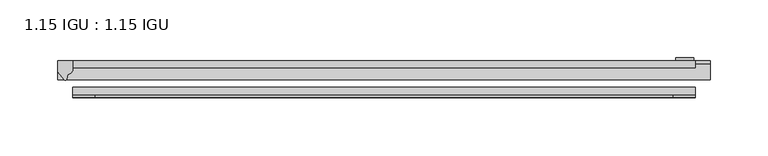
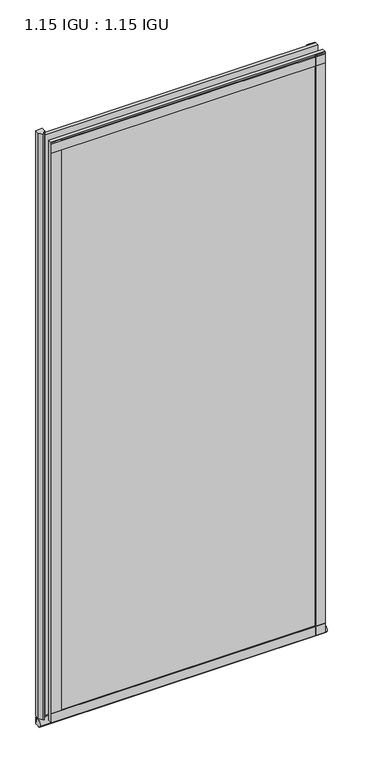
"""IFC4 building model written with IfcOpenShell, lengths in millimetres: plate geometry, 1.15 IGU : 1.15 IGU."""

import ifcopenshell
import ifcopenshell.guid

model = None  # the IFC model being written
_history = None  # IfcOwnerHistory: only IFC2X3 demands one
_inside = {}  # id of a spatial element -> (the spatial element, [elements in it])
_under = {}  # id of a project, library or spatial element -> (it, [spatial elements below it])
_declared = {}  # id of a project -> (the project, [libraries it declares])
_typed = {}  # id of a type object -> (the type object, [elements of that type])
_made_of = {}  # id of a material, layer set ... -> (it, [elements and type objects made of it])


def new_model(schema):
    """Start an empty IFC model of exactly this schema.

    Asked for "IFC4X3", IfcOpenShell would pick the latest addendum, in which some entities
    have other attributes; the version numbers below select the first issue.
    IFC2X3 requires an IfcOwnerHistory on every rooted entity: one is made here for all.
    """
    global model, _history
    if schema == "IFC4X3":
        model = ifcopenshell.file(schema_version=(4, 3, 0, 0))
    else:
        model = ifcopenshell.file(schema=schema)
    _inside.clear()
    _under.clear()
    _declared.clear()
    _typed.clear()
    _made_of.clear()
    _history = None
    if model.schema == "IFC2X3":
        org = make("IfcOrganization", Name="unknown")
        user = make(
            "IfcPersonAndOrganization",
            ThePerson=make("IfcPerson", FamilyName="unknown"),
            TheOrganization=org,
        )
        app = make(
            "IfcApplication",
            ApplicationDeveloper=org,
            Version="unknown",
            ApplicationFullName="unknown",
            ApplicationIdentifier="unknown",
        )
        _history = make(
            "IfcOwnerHistory",
            OwningUser=user,
            OwningApplication=app,
            ChangeAction="ADDED",
            CreationDate=0,
        )
    return model


def make(cls, **values):
    """One entity of the class cls with the attributes given. An attribute that is None is left unset."""
    return model.create_entity(
        cls, **{name: value for name, value in values.items() if value is not None}
    )


def rooted(cls, **values):
    """An entity with a GlobalId (a new one), such as an element, a storey or a relation."""
    return make(cls, GlobalId=ifcopenshell.guid.new(), OwnerHistory=_history, **values)


def si_unit(unit_type, name, prefix=None):
    """IfcSIUnit, for example si_unit("LENGTHUNIT", "METRE", prefix="MILLI")."""
    return make("IfcSIUnit", UnitType=unit_type, Prefix=prefix, Name=name)


def assignment(units):
    """IfcUnitAssignment: the units of a project."""
    return None if units is None else make("IfcUnitAssignment", Units=units)


def point(xyz):
    """IfcCartesianPoint."""
    return None if xyz is None else make("IfcCartesianPoint", Coordinates=xyz)


def direction(xyz):
    """IfcDirection."""
    return None if xyz is None else make("IfcDirection", DirectionRatios=xyz)


def frame(location, z_axis=None, x_axis=None):
    """IfcAxis2Placement3D, a coordinate frame: its origin and axes. An axis left out is left unset."""
    return make(
        "IfcAxis2Placement3D",
        Location=point(location),
        Axis=direction(z_axis),
        RefDirection=direction(x_axis),
    )


def frame_2d(location, x_axis=None):
    """IfcAxis2Placement2D, a coordinate frame in the plane: its origin and x axis."""
    return make(
        "IfcAxis2Placement2D", Location=point(location), RefDirection=direction(x_axis)
    )


def origin():
    """The frame at (0, 0, 0) with its axes left unset."""
    return frame((0.0, 0.0, 0.0))


def place(relative_to, where):
    """IfcLocalPlacement: puts the frame where relative to a parent placement (None: the world)."""
    return make(
        "IfcLocalPlacement", PlacementRelTo=relative_to, RelativePlacement=where
    )


def context(
    kind, dimensions, precision=None, world=None, true_north=None, identifier=None
):
    """IfcGeometricRepresentationContext, for example the 3D "Model" context."""
    return make(
        "IfcGeometricRepresentationContext",
        ContextIdentifier=identifier,
        ContextType=kind,
        CoordinateSpaceDimension=dimensions,
        Precision=precision,
        WorldCoordinateSystem=world,
        TrueNorth=true_north,
    )


def project(units=None, contexts=None):
    """IfcProject with its units and contexts."""
    return rooted(
        "IfcProject",
        Name="project",
        RepresentationContexts=contexts,
        UnitsInContext=assignment(units),
    )


def spatial(cls, under=None, at=None, **own):
    """A site, building, storey or space (cls), placed at a placement, below another one or the project."""
    s = rooted(cls, ObjectPlacement=at, **own)
    if under is not None:
        _under.setdefault(under.id(), (under, []))[1].append(s)
    return s


def polyline(points):
    """IfcPolyline through the points."""
    return make("IfcPolyline", Points=[point(p) for p in points])


def circle_curve(where, radius):
    """IfcCircle in the frame where."""
    return make("IfcCircle", Position=where, Radius=radius)


def ellipse_curve(where, semi_axis1, semi_axis2):
    """IfcEllipse in the frame where."""
    return make(
        "IfcEllipse", Position=where, SemiAxis1=semi_axis1, SemiAxis2=semi_axis2
    )


def trimmed(basis, trim1, trim2, sense, master):
    """IfcTrimmedCurve: the piece of a basis curve between two trims."""
    return make(
        "IfcTrimmedCurve",
        BasisCurve=basis,
        Trim1=trim1,
        Trim2=trim2,
        SenseAgreement=sense,
        MasterRepresentation=master,
    )


def segment(curve, same_sense, transition):
    """IfcCompositeCurveSegment."""
    return make(
        "IfcCompositeCurveSegment",
        Transition=transition,
        SameSense=same_sense,
        ParentCurve=curve,
    )


def composite_curve(segments, self_intersect=None):
    """IfcCompositeCurve: segments joined end to end."""
    return make("IfcCompositeCurve", Segments=segments, SelfIntersect=self_intersect)


def outline(outer, holes=None, kind="AREA"):
    """IfcArbitraryClosedProfileDef: a profile drawn as a closed curve; with holes, ...WithVoids."""
    if holes is None:
        return make("IfcArbitraryClosedProfileDef", ProfileType=kind, OuterCurve=outer)
    return make(
        "IfcArbitraryProfileDefWithVoids",
        ProfileType=kind,
        OuterCurve=outer,
        InnerCurves=holes,
    )


def extrude(swept, where, along, depth):
    """IfcExtrudedAreaSolid: the profile swept, set in the frame where, extruded along a direction by depth."""
    return make(
        "IfcExtrudedAreaSolid",
        SweptArea=swept,
        Position=where,
        ExtrudedDirection=direction(along),
        Depth=depth,
    )


def shape(context_of_items, identifier, shape_type, items):
    """IfcShapeRepresentation: the items that make up one representation, for example the "Body"."""
    return make(
        "IfcShapeRepresentation",
        ContextOfItems=context_of_items,
        RepresentationIdentifier=identifier,
        RepresentationType=shape_type,
        Items=items,
    )


def source(mapping_origin, context_of_items, identifier, shape_type, items):
    """IfcRepresentationMap: a shape defined once, which mapped items show again and again."""
    return make(
        "IfcRepresentationMap",
        MappingOrigin=mapping_origin,
        MappedRepresentation=shape(context_of_items, identifier, shape_type, items),
    )


def transform(
    local_origin,
    x_axis=None,
    y_axis=None,
    z_axis=None,
    scale=None,
    scale2=None,
    scale3=None,
    uniform=True,
):
    """IfcCartesianTransformationOperator3D, or its non-uniform kind. x_axis, y_axis, z_axis: its Axis1, 2, 3."""
    if uniform:
        return make(
            "IfcCartesianTransformationOperator3D",
            Axis1=direction(x_axis),
            Axis2=direction(y_axis),
            LocalOrigin=point(local_origin),
            Scale=scale,
            Axis3=direction(z_axis),
        )
    return make(
        "IfcCartesianTransformationOperator3DnonUniform",
        Axis1=direction(x_axis),
        Axis2=direction(y_axis),
        LocalOrigin=point(local_origin),
        Scale=scale,
        Axis3=direction(z_axis),
        Scale2=scale2,
        Scale3=scale3,
    )


def mapped(mapping_source, mapping_target):
    """IfcMappedItem: shows the shape of a source again, moved by a transform."""
    return make(
        "IfcMappedItem", MappingSource=mapping_source, MappingTarget=mapping_target
    )


def made_of(thing, what):
    """Note that an element or type object is made of a material, layer set ...; save() writes the relation."""
    if what is not None:
        _made_of.setdefault(what.id(), (what, []))[1].append(thing)
    return thing


def element(
    cls,
    number,
    at=None,
    inside=None,
    cuts=None,
    type_object=None,
    material=None,
    context=None,
    identifier="Body",
    shape_type=None,
    held_by="IfcProductDefinitionShape",
    body=None,
    shapes=None,
    **own,
):
    """One element of the class cls, such as IfcWall. Its Tag is "e" and its number.

    at: its placement. inside: the storey or other place that contains it. cuts: it is an
    opening in that element (IfcRelVoidsElement). A single representation is given by context,
    identifier, shape_type and body (its items); several are given by shapes. held_by: the class
    of the entity that holds the representations. save() writes the other relations.
    """
    e = rooted(cls, Tag="e%d" % number, ObjectPlacement=at, **own)
    if body is not None:
        shapes = [shape(context, identifier, shape_type, body)]
    if shapes is not None:
        e.Representation = make(held_by, Representations=shapes)
    if inside is not None:
        _inside.setdefault(inside.id(), (inside, []))[1].append(e)
    if cuts is not None:
        rooted(
            "IfcRelVoidsElement", RelatingBuildingElement=cuts, RelatedOpeningElement=e
        )
    if type_object is not None:
        _typed.setdefault(type_object.id(), (type_object, []))[1].append(e)
    return made_of(e, material)


def aggregate(whole, parts):
    """IfcRelAggregates: a whole, such as a stair, and the parts it consists of."""
    return rooted("IfcRelAggregates", RelatingObject=whole, RelatedObjects=parts)


def save(model, path):
    """Write the relations noted so far, then the file.

    IfcRelAggregates (storeys below a building ...), IfcRelContainedInSpatialStructure (elements
    in a storey), IfcRelDefinesByType, IfcRelAssociatesMaterial and IfcRelDeclares: one each for
    every whole, place, type object, material and project.
    """
    for whole, parts in _under.values():
        aggregate(whole, parts)
    for where, things in _inside.values():
        rooted(
            "IfcRelContainedInSpatialStructure",
            RelatedElements=things,
            RelatingStructure=where,
        )
    for kind, things in _typed.values():
        rooted("IfcRelDefinesByType", RelatedObjects=things, RelatingType=kind)
    for what, things in _made_of.values():
        rooted("IfcRelAssociatesMaterial", RelatedObjects=things, RelatingMaterial=what)
    for by, libraries in _declared.values():
        rooted("IfcRelDeclares", RelatingContext=by, RelatedDefinitions=libraries)
    model.write(path)


def plane_surface(at):
    """IfcPlane: the flat surface through the origin of the frame at, square to its z axis."""
    return make("IfcPlane", Position=at)


def revolved_surface(curve, axis_point, axis_direction):
    """IfcSurfaceOfRevolution: the curve turned about the line through axis_point along axis_direction."""
    return make(
        "IfcSurfaceOfRevolution",
        SweptCurve=make("IfcArbitraryOpenProfileDef", ProfileType="CURVE", Curve=curve),
        AxisPosition=make("IfcAxis1Placement", Location=point(axis_point), Axis=direction(axis_direction)),
    )


def extruded_surface(curve, direction_of_extrusion, depth):
    """IfcSurfaceOfLinearExtrusion: the curve pushed along a direction by depth."""
    return make(
        "IfcSurfaceOfLinearExtrusion",
        SweptCurve=make("IfcArbitraryOpenProfileDef", ProfileType="CURVE", Curve=curve),
        ExtrudedDirection=direction(direction_of_extrusion),
        Depth=depth,
    )


def advanced_brep(points, edges, surfaces, faces):
    """IfcAdvancedBrep: a solid bounded by faces that lie on surfaces and meet in shared edges.

    An edge is (start, end): straight between two places in points (the first is 0);
    or (start, end, curve); or (start, end, curve, False) where it runs against its curve.
    A face is (place in surfaces, loops), or (place, loops, False) where it looks against
    its surface's normal. A loop lists edges by number (the first is 1), with a minus sign
    where the edge is run from its end to its start. The first loop is the outer one.
    """
    corners = [point(p) for p in points]
    vertices = [make("IfcVertexPoint", VertexGeometry=c) for c in corners]
    made = []
    for start, end, *more in edges:
        made.append(
            make(
                "IfcEdgeCurve",
                EdgeStart=vertices[start],
                EdgeEnd=vertices[end],
                EdgeGeometry=more[0] if more else make("IfcPolyline", Points=[corners[start], corners[end]]),
                SameSense=more[1] if len(more) > 1 else True,
            )
        )
    hull = []
    for where, loops, *sense in faces:
        bounds = []
        for j, loop in enumerate(loops):
            ring = [make("IfcOrientedEdge", EdgeElement=made[abs(k) - 1], Orientation=k > 0) for k in loop]
            bounds.append(
                make(
                    "IfcFaceOuterBound" if j == 0 else "IfcFaceBound",
                    Bound=make("IfcEdgeLoop", EdgeList=ring),
                    Orientation=True,
                )
            )
        hull.append(make("IfcAdvancedFace", Bounds=bounds, FaceSurface=surfaces[where], SameSense=sense[0] if sense else True))
    return make("IfcAdvancedBrep", Outer=make("IfcClosedShell", CfsFaces=hull))


def plate_1_15_igu_1_15_igu_fcd041bd(model_context):
    return source(origin(), model_context, "Body", "SolidModel", [
        extrude(outline(polyline([(268.6061906, 0.0), (268.6061906, -6.2992), (-268.6061906, -6.2992), (-268.6061906, 0.0), (268.6061906, 0.0)])), frame((0.0, 0.0, -19.05), z_axis=(0.0, 0.0, 1.0), x_axis=(1.0, 0.0, 0.0)), (0.0, 0.0, 1.0), 1203.325),
        extrude(outline(polyline([(-268.6061906, -23.1648), (268.6061906, -23.1648), (268.6061906, -29.464), (-268.6061906, -29.464), (-268.6061906, -23.1648)])), frame((0.0, 0.0, -19.05), z_axis=(0.0, 0.0, 1.0), x_axis=(1.0, 0.0, 0.0)), (0.0, 0.0, 1.0), 1203.325),
        advanced_brep(
        [(281.3061906, -2.9334208, -29.3692082), (281.3061906, -15.7658436, -30.8313288), (281.3061906, -6.7904952, -34.925), (281.3061906, 0.0, -34.925), (281.3061906, 0.0, -22.225), (281.3061906, -2.5187477, -22.225), (-281.3061906, -2.9073519, -29.3720514), (-281.3061906, -2.5187477, -22.225), (-281.3061906, 0.0, -22.225), (-281.3061906, 0.0, -34.925), (-281.3061906, -6.7904952, -34.925), (-281.3061906, -15.7658436, -30.8313288)],
        [
            (0, 1, ellipse_curve(frame((281.3061906, -9.5065066, -28.575), z_axis=(1.0, 0.0, 0.0), x_axis=(0.0, 0.0, -1.0)), 6.9638038, 6.6162554)),
            (1, 2, ellipse_curve(frame((281.3061906, -9.5065066, -28.575), z_axis=(1.0, 0.0, 0.0), x_axis=(0.0, 0.0, -1.0)), 6.9638038, 6.6162554)),
            (2, 3),
            (3, 4, circle_curve(frame((281.3061906, 24.1576838, -28.575), z_axis=(-1.0, 0.0, 0.0), x_axis=(0.0, 0.0, 1.0)), 24.9783143)),
            (4, 5),
            (5, 0, circle_curve(frame((281.3061906, -68.4358767, -22.225), z_axis=(-1.0, 0.0, 0.0), x_axis=(0.0, 0.0, 1.0)), 65.917129)),
            (6, 7, circle_curve(frame((-281.3061906, -68.4358767, -22.225), z_axis=(1.0, 0.0, 0.0), x_axis=(0.0, 0.0, 1.0)), 65.917129)),
            (7, 8),
            (8, 9, circle_curve(frame((-281.3061906, 24.1576838, -28.575), z_axis=(1.0, 0.0, 0.0), x_axis=(0.0, 0.0, 1.0)), 24.9783143)),
            (9, 10),
            (10, 11, ellipse_curve(frame((-281.3061906, -9.5065066, -28.575), z_axis=(-1.0, 0.0, 0.0), x_axis=(0.0, 0.0, -1.0)), 6.9638038, 6.6162554)),
            (11, 6, ellipse_curve(frame((-281.3061906, -9.5065066, -28.575), z_axis=(-1.0, 0.0, 0.0), x_axis=(0.0, 0.0, -1.0)), 6.9638038, 6.6162554)),
            (0, 6),
            (11, 1),
            (10, 2),
            (9, 3),
            (8, 4),
            (7, 5),
        ],
        [
            plane_surface(frame((281.3061906, 0.0, -28.575), z_axis=(1.0, 0.0, 0.0), x_axis=(0.0, 1.0, 0.0))),
            plane_surface(frame((-281.3061906, 0.0, -28.575), z_axis=(-1.0, 0.0, 0.0), x_axis=(0.0, 1.0, 0.0))),
            extruded_surface(trimmed(ellipse_curve(frame((-281.3061906, -9.5065066, -28.575), z_axis=(1.0, 0.0, 0.0), x_axis=(0.0, 0.0, -1.0)), 6.9638038, 6.6162554), [point((-281.3061906, -2.9334208, -29.3692082))], [point((-281.3061906, -15.7658436, -30.8313288))], True, "CARTESIAN"), (562.6123812, 0.0, 0.0), 562.6123812),
            extruded_surface(trimmed(ellipse_curve(frame((-281.3061906, -9.5065066, -28.575), z_axis=(1.0, 0.0, 0.0), x_axis=(0.0, 0.0, -1.0)), 6.9638038, 6.6162554), [point((-281.3061906, -15.7658436, -30.8313288))], [point((-281.3061906, -6.7904952, -34.925))], True, "CARTESIAN"), (562.6123812, 0.0, 0.0), 562.6123812),
            plane_surface(frame((281.3061906, -6.7904952, -34.925), z_axis=(0.0, 0.0, -1.0), x_axis=(-1.0, 0.0, 0.0))),
            revolved_surface(polyline([(-281.3061906, 24.1576838, -3.5966856999999983), (281.3061906, 24.1576838, -3.5966856999999983)]), (281.3061906, 24.1576838, -28.575), (-1.0, 0.0, 0.0)),
            plane_surface(frame((281.3061906, 0.0, -22.225), z_axis=(0.0, 0.0, 1.0), x_axis=(-1.0, 0.0, 0.0))),
            revolved_surface(polyline([(-281.3061906, -68.4358767, 43.692129), (281.3061906, -68.4358767, 43.692129)]), (281.3061906, -68.4358767, -22.225), (-1.0, 0.0, 0.0)),
        ],
        [
            (0, [[1, 2, 3, 4, 5, 6]]),
            (1, [[7, 8, 9, 10, 11, 12]]),
            (2, [[-1, 13, -12, 14]]),
            (3, [[-2, -14, -11, 15]]),
            (4, [[-3, -15, -10, 16]]),
            (5, [[-4, -16, -9, 17]]),
            (6, [[-5, -17, -8, 18]]),
            (7, [[-6, -18, -7, -13]]),
        ],
    ),
        extrude(outline(composite_curve([segment(polyline([(-268.6061906, 8.8e-06), (-268.6061906, -7.7683362)]), True, "CONTINUOUS"), segment(trimmed(circle_curve(frame_2d((-272.5776886, -7.7683362)), 3.9714979), [point((-268.6061906, -7.7683362))], [point((-272.7051404, -11.7377885))], False, "CARTESIAN"), True, "CONTINUOUS"), segment(polyline([(-272.7051404, -11.7377885), (-273.6851749, -16.012436)]), True, "CONTINUOUS"), segment(trimmed(circle_curve(frame_2d((-274.7863839, -15.7723555)), 1.1270758), [point((-273.6851749, -16.012436))], [point((-275.7402233, -16.372764))], False, "CARTESIAN"), True, "CONTINUOUS"), segment(polyline([(-275.7402233, -16.372764), (-281.3061906, -9.7395025), (-281.3061906, 8.8e-06), (-268.6061906, 8.8e-06)]), True, "CONTINUOUS")], self_intersect=False)), frame((0.0, 0.0, -19.05), z_axis=(0.0, 0.0, 1.0), x_axis=(1.0, 0.0, 0.0)), (0.0, 0.0, 1.0), 1213.6374),
        extrude(outline(polyline([(-268.6061906, -31.75), (-268.6061906, -29.464), (268.6061906, -29.464), (268.6061906, -31.75), (-268.6061906, -31.75)])), frame((0.0, 0.0, -19.05), z_axis=(0.0, 0.0, 1.0), x_axis=(1.0, 0.0, 0.0)), (0.0, 0.0, 1.0), 19.05),
        extrude(outline(polyline([(-268.6061906, -31.75), (-268.6061906, -29.464), (268.6061906, -29.464), (268.6061906, -31.75), (-268.6061906, -31.75)])), frame((0.0, 0.0, 1162.05), z_axis=(0.0, 0.0, 1.0), x_axis=(1.0, 0.0, 0.0)), (0.0, 0.0, 1.0), 19.05),
        extrude(outline(polyline([(249.5561906, -29.464), (268.6061906, -29.464), (268.6061906, -31.75), (249.5561906, -31.75), (249.5561906, -29.464)])), frame((0.0, 0.0, -19.05), z_axis=(0.0, 0.0, 1.0), x_axis=(1.0, 0.0, 0.0)), (0.0, 0.0, 1.0), 1203.325),
        extrude(outline(polyline([(267.3996906, 2.2860088), (267.3996906, 0.0021347), (251.5246906, 0.0021347), (251.5246906, 2.2860088), (267.3996906, 2.2860088)])), frame((0.0, 0.0, -19.05), z_axis=(0.0, 0.0, 1.0), x_axis=(1.0, 0.0, 0.0)), (0.0, 0.0, 1.0), 1203.325),
        extrude(outline(polyline([(-268.6061906, -31.75), (-268.6061906, -29.464), (-249.5561906, -29.464), (-249.5561906, -31.75), (-268.6061906, -31.75)])), frame((0.0, 0.0, -19.05), z_axis=(0.0, 0.0, 1.0), x_axis=(1.0, 0.0, 0.0)), (0.0, 0.0, 1.0), 1203.325),
    ])


if __name__ == "__main__":
    model = new_model("IFC4")
    model_context = context("Model", 3, world=origin())
    ifc_project = project(units=[si_unit("LENGTHUNIT", "METRE", prefix="MILLI")], contexts=[model_context])
    site = spatial("IfcSite", under=ifc_project)
    building = spatial("IfcBuilding", under=site)
    placement = place(None, origin())
    plate_1_15_igu_1_15_igu_shape = plate_1_15_igu_1_15_igu_fcd041bd(model_context)
    element("IfcPlate", 1, ObjectType="1.15 IGU : 1.15 IGU", at=placement, inside=building, context=model_context, shape_type="MappedRepresentation", body=[
        mapped(plate_1_15_igu_1_15_igu_shape, transform((0.0, 0.0, 0.0), x_axis=(1.0, 0.0, 0.0), y_axis=(0.0, 1.0, 0.0), z_axis=(0.0, 0.0, 1.0))),
    ])
    save(model, "model.ifc")
